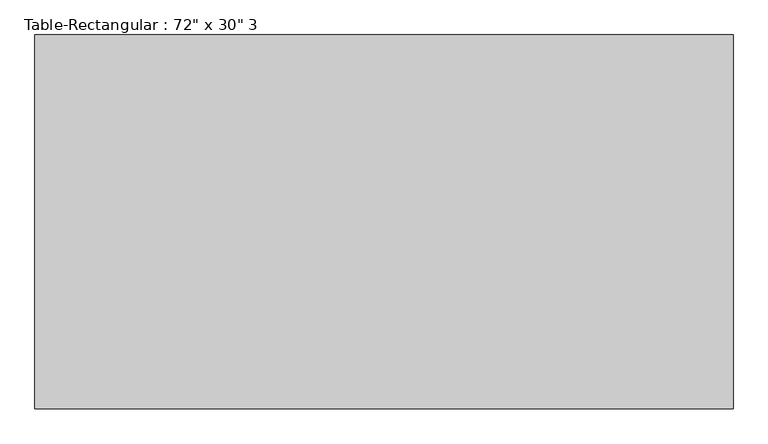
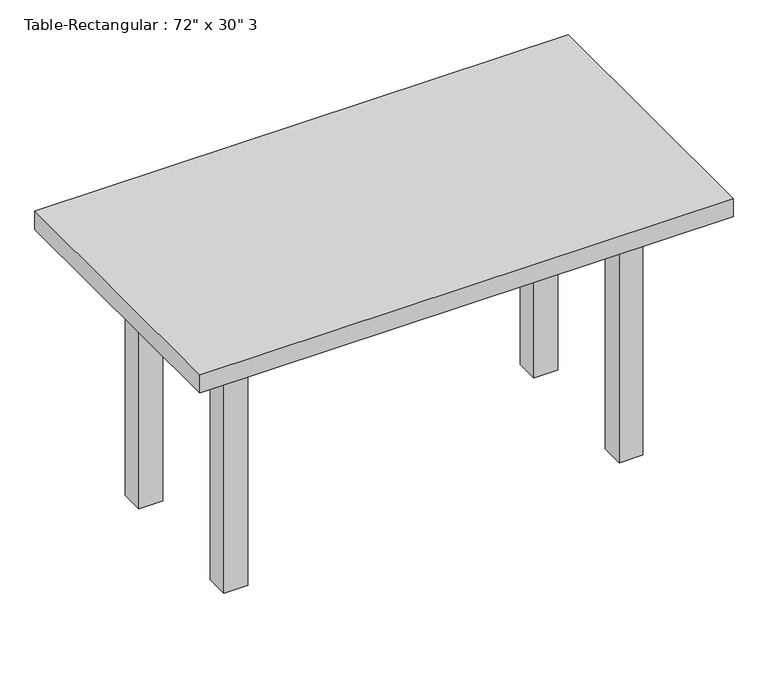
"""IFC4 building model written with IfcOpenShell, lengths in millimetres: furniture geometry."""

from ifc_helpers import new_model, si_unit, frame, origin, origin_with_axes, place, context, project, spatial, polyline, outline, extrude, source, transform, mapped, element, save


def furniture_a3bc09a7(model_context):
    return source(origin(), model_context, "Body", "SweptSolid", [
        extrude(outline(polyline([(495.3, -190.5), (-495.3, -190.5), (-495.3, -165.1), (495.3, -165.1), (495.3, -190.5)])), frame((0.0, 0.0, 609.6), z_axis=(0.0, 0.0, 1.0), x_axis=(1.0, 0.0, 0.0)), (0.0, 0.0, 1.0), 101.6),
        extrude(outline(polyline([(495.3, 190.5), (495.3, 165.1), (-495.3, 165.1), (-495.3, 190.5), (495.3, 190.5)])), frame((0.0, 0.0, 609.6), z_axis=(0.0, 0.0, 1.0), x_axis=(1.0, 0.0, 0.0)), (0.0, 0.0, 1.0), 101.6),
        extrude(outline(polyline([(-508.0, 165.1), (-508.0, -165.1), (-533.4, -165.1), (-533.4, 165.1), (-508.0, 165.1)])), frame((0.0, 0.0, 609.6), z_axis=(0.0, 0.0, 1.0), x_axis=(1.0, 0.0, 0.0)), (0.0, 0.0, 1.0), 101.6),
        extrude(outline(polyline([(508.0, 165.1), (533.4, 165.1), (533.4, -165.1), (508.0, -165.1), (508.0, 165.1)])), frame((0.0, 0.0, 609.6), z_axis=(0.0, 0.0, 1.0), x_axis=(1.0, 0.0, 0.0)), (0.0, 0.0, 1.0), 101.6),
        extrude(outline(polyline([(711.2, -381.0), (-711.2, -381.0), (-711.2, 381.0), (711.2, 381.0), (711.2, -381.0)])), frame((0.0, 0.0, 711.2), z_axis=(0.0, 0.0, 1.0), x_axis=(1.0, 0.0, 0.0)), (0.0, 0.0, 1.0), 50.8),
        extrude(outline(polyline([(-495.3, -228.6), (-558.8, -228.6), (-558.8, -165.1), (-495.3, -165.1), (-495.3, -228.6)])), origin_with_axes(), (0.0, 0.0, 1.0), 711.2),
        extrude(outline(polyline([(495.3, -228.6), (495.3, -165.1), (558.8, -165.1), (558.8, -228.6), (495.3, -228.6)])), origin_with_axes(), (0.0, 0.0, 1.0), 711.2),
        extrude(outline(polyline([(-495.3, 228.6), (-495.3, 165.1), (-558.8, 165.1), (-558.8, 228.6), (-495.3, 228.6)])), origin_with_axes(), (0.0, 0.0, 1.0), 711.2),
        extrude(outline(polyline([(495.3, 228.6), (558.8, 228.6), (558.8, 165.1), (495.3, 165.1), (495.3, 228.6)])), origin_with_axes(), (0.0, 0.0, 1.0), 711.2),
    ])


if __name__ == "__main__":
    model = new_model("IFC4")
    model_context = context("Model", 3, world=origin())
    ifc_project = project(units=[si_unit("LENGTHUNIT", "METRE", prefix="MILLI")], contexts=[model_context])
    site = spatial("IfcSite", under=ifc_project)
    building = spatial("IfcBuilding", under=site)
    placement = place(None, origin())
    furniture_shape = furniture_a3bc09a7(model_context)
    element("IfcFurniture", 1, ObjectType="Table-Rectangular : 72\" x 30\" 3", at=placement, inside=building, context=model_context, shape_type="MappedRepresentation", body=[
        mapped(furniture_shape, transform((0.0, 0.0, 0.0), x_axis=(1.0, 0.0, 0.0), y_axis=(0.0, 1.0, 0.0), z_axis=(0.0, 0.0, 1.0))),
    ])
    save(model, "model.ifc")
